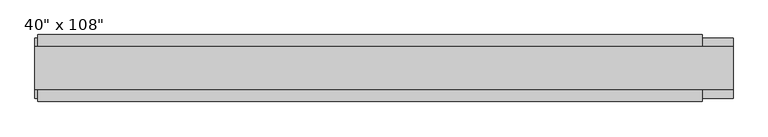
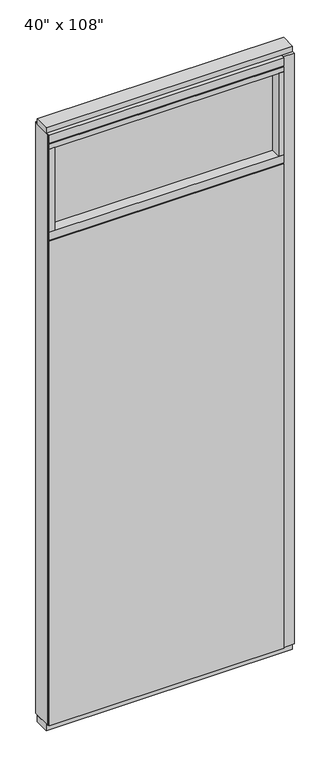
"""IFC4 building model written with IfcOpenShell, lengths in millimetres: furniture geometry."""

from ifc_helpers import new_model, si_unit, frame, origin, origin_with_axes, place, context, project, spatial, polyline, outline, extrude, source, transform, mapped, element, save


def furniture_e91228ea(model_context):
    return source(origin(), model_context, "Body", "SweptSolid", [
        extrude(outline(polyline([(444.0264771, 46.2822784), (444.0264771, 33.5822784), (-564.0995229, 33.5822784), (-564.0995229, 46.2822784), (444.0264771, 46.2822784)])), frame((0.0, 0.0, 31.75), z_axis=(0.0, 0.0, 1.0), x_axis=(1.0, 0.0, 0.0)), (0.0, 0.0, 1.0), 2203.45),
        extrude(outline(polyline([(444.0264771, -55.3177216), (-564.0995229, -55.3177216), (-564.0995229, -42.6177216), (444.0264771, -42.6177216), (444.0264771, -55.3177216)])), frame((0.0, 0.0, 31.75), z_axis=(0.0, 0.0, 1.0), x_axis=(1.0, 0.0, 0.0)), (0.0, 0.0, 1.0), 2203.45),
        extrude(outline(polyline([(421.8014771, -9.5977216), (-541.8745229, -9.5977216), (-541.8745229, 0.5622784), (421.8014771, 0.5622784), (421.8014771, -9.5977216)])), frame((0.0, 0.0, 2276.475), z_axis=(0.0, 0.0, 1.0), x_axis=(1.0, 0.0, 0.0)), (0.0, 0.0, 1.0), 377.825),
        extrude(outline(polyline([(421.8014771, -55.3177216), (421.8014771, 46.2822784), (444.0264771, 46.2822784), (444.0264771, -55.3177216), (421.8014771, -55.3177216)])), frame((0.0, 0.0, 2276.475), z_axis=(0.0, 0.0, 1.0), x_axis=(1.0, 0.0, 0.0)), (0.0, 0.0, 1.0), 377.825),
        extrude(outline(polyline([(-55.3177216, 2240.153), (-55.3177216, 2276.475), (46.2822784, 2276.475), (46.2822784, 2240.153), (41.3292784, 2240.153), (41.3292784, 2235.2), (-50.3647216, 2235.2), (-50.3647216, 2240.153), (-55.3177216, 2240.153)])), frame((-564.0995229, 0.0, 0.0), z_axis=(1.0, 0.0, 0.0), x_axis=(0.0, 1.0, 0.0)), (0.0, 0.0, 1.0), 1008.126),
        extrude(outline(polyline([(-541.8745229, -55.3177216), (-564.0995229, -55.3177216), (-564.0995229, 46.2822784), (-541.8745229, 46.2822784), (-541.8745229, -55.3177216)])), frame((0.0, 0.0, 2276.475), z_axis=(0.0, 0.0, 1.0), x_axis=(1.0, 0.0, 0.0)), (0.0, 0.0, 1.0), 377.825),
        extrude(outline(polyline([(490.8894771, 27.9942784), (490.8894771, -37.0297216), (-568.0365229, -37.0297216), (-568.0365229, 27.9942784), (490.8894771, 27.9942784)])), origin_with_axes(), (0.0, 0.0, 1.0), 31.75),
        extrude(outline(polyline([(-568.0365229, -37.0297216), (-568.0365229, 27.9942784), (490.8894771, 27.9942784), (490.8894771, -37.0297216), (-568.0365229, -37.0297216)])), frame((0.0, 0.0, 2717.8), z_axis=(0.0, 0.0, 1.0), x_axis=(1.0, 0.0, 0.0)), (0.0, 0.0, 1.0), 25.4),
        extrude(outline(polyline([(-55.3177216, 2681.478), (-55.3177216, 2717.8), (46.2822784, 2717.8), (46.2822784, 2681.478), (41.3292784, 2681.478), (41.3292784, 2676.525), (-50.3647216, 2676.525), (-50.3647216, 2681.478), (-55.3177216, 2681.478)])), frame((-564.0995229, 0.0, 0.0), z_axis=(1.0, 0.0, 0.0), x_axis=(0.0, 1.0, 0.0)), (0.0, 0.0, 1.0), 1008.126),
        extrude(outline(polyline([(444.0264771, 46.2822784), (444.0264771, -55.3177216), (-564.0995229, -55.3177216), (-564.0995229, 46.2822784), (444.0264771, 46.2822784)])), frame((0.0, 0.0, 2654.3), z_axis=(0.0, 0.0, 1.0), x_axis=(1.0, 0.0, 0.0)), (0.0, 0.0, 1.0), 22.225),
        extrude(outline(polyline([(490.8894771, -50.3647216), (444.0264771, -50.3647216), (444.0264771, 41.3292784), (490.8894771, 41.3292784), (490.8894771, -50.3647216)])), frame((0.0, 0.0, 31.75), z_axis=(0.0, 0.0, 1.0), x_axis=(1.0, 0.0, 0.0)), (0.0, 0.0, 1.0), 2686.05),
        extrude(outline(polyline([(-568.0365229, -50.3647216), (-568.0365229, 41.3292784), (-564.0995229, 41.3292784), (-564.0995229, -50.3647216), (-568.0365229, -50.3647216)])), frame((0.0, 0.0, 31.75), z_axis=(0.0, 0.0, 1.0), x_axis=(1.0, 0.0, 0.0)), (0.0, 0.0, 1.0), 2686.05),
    ])


if __name__ == "__main__":
    model = new_model("IFC4")
    model_context = context("Model", 3, world=origin())
    ifc_project = project(units=[si_unit("LENGTHUNIT", "METRE", prefix="MILLI")], contexts=[model_context])
    site = spatial("IfcSite", under=ifc_project)
    building = spatial("IfcBuilding", under=site)
    placement = place(None, origin())
    furniture_shape = furniture_e91228ea(model_context)
    element("IfcFurniture", 1, ObjectType="40\" x 108\"", at=placement, inside=building, context=model_context, shape_type="MappedRepresentation", body=[
        mapped(furniture_shape, transform((0.0, 0.0, 0.0), x_axis=(1.0, 0.0, 0.0), y_axis=(0.0, 1.0, 0.0), z_axis=(0.0, 0.0, 1.0))),
    ])
    save(model, "model.ifc")
